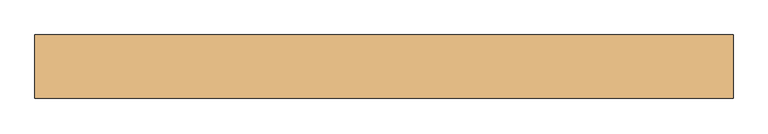
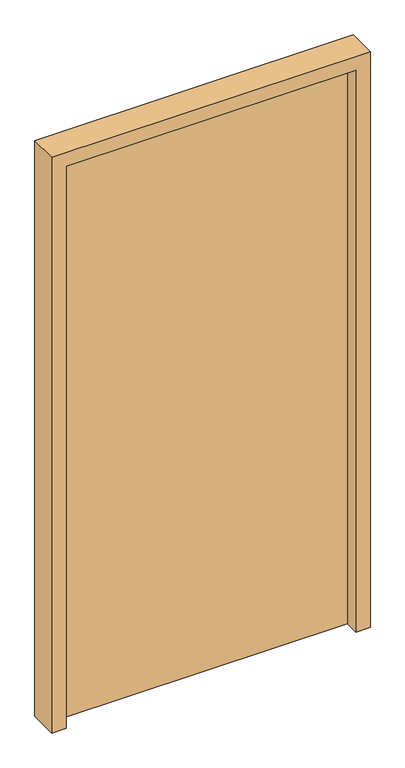
"""IFC4 building model written with IfcOpenShell, lengths in millimetres: door geometry."""

import ifcopenshell
import ifcopenshell.guid

model = None  # the IFC model being written
_history = None  # IfcOwnerHistory: only IFC2X3 demands one
_inside = {}  # id of a spatial element -> (the spatial element, [elements in it])
_under = {}  # id of a project, library or spatial element -> (it, [spatial elements below it])
_declared = {}  # id of a project -> (the project, [libraries it declares])
_typed = {}  # id of a type object -> (the type object, [elements of that type])
_made_of = {}  # id of a material, layer set ... -> (it, [elements and type objects made of it])


def new_model(schema):
    """Start an empty IFC model of exactly this schema.

    Asked for "IFC4X3", IfcOpenShell would pick the latest addendum, in which some entities
    have other attributes; the version numbers below select the first issue.
    IFC2X3 requires an IfcOwnerHistory on every rooted entity: one is made here for all.
    """
    global model, _history
    if schema == "IFC4X3":
        model = ifcopenshell.file(schema_version=(4, 3, 0, 0))
    else:
        model = ifcopenshell.file(schema=schema)
    _inside.clear()
    _under.clear()
    _declared.clear()
    _typed.clear()
    _made_of.clear()
    _history = None
    if model.schema == "IFC2X3":
        org = make("IfcOrganization", Name="unknown")
        user = make(
            "IfcPersonAndOrganization",
            ThePerson=make("IfcPerson", FamilyName="unknown"),
            TheOrganization=org,
        )
        app = make(
            "IfcApplication",
            ApplicationDeveloper=org,
            Version="unknown",
            ApplicationFullName="unknown",
            ApplicationIdentifier="unknown",
        )
        _history = make(
            "IfcOwnerHistory",
            OwningUser=user,
            OwningApplication=app,
            ChangeAction="ADDED",
            CreationDate=0,
        )
    return model


def make(cls, **values):
    """One entity of the class cls with the attributes given. An attribute that is None is left unset."""
    return model.create_entity(
        cls, **{name: value for name, value in values.items() if value is not None}
    )


def rooted(cls, **values):
    """An entity with a GlobalId (a new one), such as an element, a storey or a relation."""
    return make(cls, GlobalId=ifcopenshell.guid.new(), OwnerHistory=_history, **values)


def si_unit(unit_type, name, prefix=None):
    """IfcSIUnit, for example si_unit("LENGTHUNIT", "METRE", prefix="MILLI")."""
    return make("IfcSIUnit", UnitType=unit_type, Prefix=prefix, Name=name)


def assignment(units):
    """IfcUnitAssignment: the units of a project."""
    return None if units is None else make("IfcUnitAssignment", Units=units)


def point(xyz):
    """IfcCartesianPoint."""
    return None if xyz is None else make("IfcCartesianPoint", Coordinates=xyz)


def direction(xyz):
    """IfcDirection."""
    return None if xyz is None else make("IfcDirection", DirectionRatios=xyz)


def frame(location, z_axis=None, x_axis=None):
    """IfcAxis2Placement3D, a coordinate frame: its origin and axes. An axis left out is left unset."""
    return make(
        "IfcAxis2Placement3D",
        Location=point(location),
        Axis=direction(z_axis),
        RefDirection=direction(x_axis),
    )


def origin():
    """The frame at (0, 0, 0) with its axes left unset."""
    return frame((0.0, 0.0, 0.0))


def origin_with_axes():
    """The frame at (0, 0, 0) with the z axis (0, 0, 1) and the x axis (1, 0, 0) written out."""
    return frame((0.0, 0.0, 0.0), z_axis=(0.0, 0.0, 1.0), x_axis=(1.0, 0.0, 0.0))


def place(relative_to, where):
    """IfcLocalPlacement: puts the frame where relative to a parent placement (None: the world)."""
    return make(
        "IfcLocalPlacement", PlacementRelTo=relative_to, RelativePlacement=where
    )


def context(
    kind, dimensions, precision=None, world=None, true_north=None, identifier=None
):
    """IfcGeometricRepresentationContext, for example the 3D "Model" context."""
    return make(
        "IfcGeometricRepresentationContext",
        ContextIdentifier=identifier,
        ContextType=kind,
        CoordinateSpaceDimension=dimensions,
        Precision=precision,
        WorldCoordinateSystem=world,
        TrueNorth=true_north,
    )


def project(units=None, contexts=None):
    """IfcProject with its units and contexts."""
    return rooted(
        "IfcProject",
        Name="project",
        RepresentationContexts=contexts,
        UnitsInContext=assignment(units),
    )


def spatial(cls, under=None, at=None, **own):
    """A site, building, storey or space (cls), placed at a placement, below another one or the project."""
    s = rooted(cls, ObjectPlacement=at, **own)
    if under is not None:
        _under.setdefault(under.id(), (under, []))[1].append(s)
    return s


def polyline(points):
    """IfcPolyline through the points."""
    return make("IfcPolyline", Points=[point(p) for p in points])


def outline(outer, holes=None, kind="AREA"):
    """IfcArbitraryClosedProfileDef: a profile drawn as a closed curve; with holes, ...WithVoids."""
    if holes is None:
        return make("IfcArbitraryClosedProfileDef", ProfileType=kind, OuterCurve=outer)
    return make(
        "IfcArbitraryProfileDefWithVoids",
        ProfileType=kind,
        OuterCurve=outer,
        InnerCurves=holes,
    )


def extrude(swept, where, along, depth):
    """IfcExtrudedAreaSolid: the profile swept, set in the frame where, extruded along a direction by depth."""
    return make(
        "IfcExtrudedAreaSolid",
        SweptArea=swept,
        Position=where,
        ExtrudedDirection=direction(along),
        Depth=depth,
    )


def shape(context_of_items, identifier, shape_type, items):
    """IfcShapeRepresentation: the items that make up one representation, for example the "Body"."""
    return make(
        "IfcShapeRepresentation",
        ContextOfItems=context_of_items,
        RepresentationIdentifier=identifier,
        RepresentationType=shape_type,
        Items=items,
    )


def source(mapping_origin, context_of_items, identifier, shape_type, items):
    """IfcRepresentationMap: a shape defined once, which mapped items show again and again."""
    return make(
        "IfcRepresentationMap",
        MappingOrigin=mapping_origin,
        MappedRepresentation=shape(context_of_items, identifier, shape_type, items),
    )


def transform(
    local_origin,
    x_axis=None,
    y_axis=None,
    z_axis=None,
    scale=None,
    scale2=None,
    scale3=None,
    uniform=True,
):
    """IfcCartesianTransformationOperator3D, or its non-uniform kind. x_axis, y_axis, z_axis: its Axis1, 2, 3."""
    if uniform:
        return make(
            "IfcCartesianTransformationOperator3D",
            Axis1=direction(x_axis),
            Axis2=direction(y_axis),
            LocalOrigin=point(local_origin),
            Scale=scale,
            Axis3=direction(z_axis),
        )
    return make(
        "IfcCartesianTransformationOperator3DnonUniform",
        Axis1=direction(x_axis),
        Axis2=direction(y_axis),
        LocalOrigin=point(local_origin),
        Scale=scale,
        Axis3=direction(z_axis),
        Scale2=scale2,
        Scale3=scale3,
    )


def mapped(mapping_source, mapping_target):
    """IfcMappedItem: shows the shape of a source again, moved by a transform."""
    return make(
        "IfcMappedItem", MappingSource=mapping_source, MappingTarget=mapping_target
    )


def made_of(thing, what):
    """Note that an element or type object is made of a material, layer set ...; save() writes the relation."""
    if what is not None:
        _made_of.setdefault(what.id(), (what, []))[1].append(thing)
    return thing


def element(
    cls,
    number,
    at=None,
    inside=None,
    cuts=None,
    type_object=None,
    material=None,
    context=None,
    identifier="Body",
    shape_type=None,
    held_by="IfcProductDefinitionShape",
    body=None,
    shapes=None,
    **own,
):
    """One element of the class cls, such as IfcWall. Its Tag is "e" and its number.

    at: its placement. inside: the storey or other place that contains it. cuts: it is an
    opening in that element (IfcRelVoidsElement). A single representation is given by context,
    identifier, shape_type and body (its items); several are given by shapes. held_by: the class
    of the entity that holds the representations. save() writes the other relations.
    """
    e = rooted(cls, Tag="e%d" % number, ObjectPlacement=at, **own)
    if body is not None:
        shapes = [shape(context, identifier, shape_type, body)]
    if shapes is not None:
        e.Representation = make(held_by, Representations=shapes)
    if inside is not None:
        _inside.setdefault(inside.id(), (inside, []))[1].append(e)
    if cuts is not None:
        rooted(
            "IfcRelVoidsElement", RelatingBuildingElement=cuts, RelatedOpeningElement=e
        )
    if type_object is not None:
        _typed.setdefault(type_object.id(), (type_object, []))[1].append(e)
    return made_of(e, material)


def aggregate(whole, parts):
    """IfcRelAggregates: a whole, such as a stair, and the parts it consists of."""
    return rooted("IfcRelAggregates", RelatingObject=whole, RelatedObjects=parts)


def save(model, path):
    """Write the relations noted so far, then the file.

    IfcRelAggregates (storeys below a building ...), IfcRelContainedInSpatialStructure (elements
    in a storey), IfcRelDefinesByType, IfcRelAssociatesMaterial and IfcRelDeclares: one each for
    every whole, place, type object, material and project.
    """
    for whole, parts in _under.values():
        aggregate(whole, parts)
    for where, things in _inside.values():
        rooted(
            "IfcRelContainedInSpatialStructure",
            RelatedElements=things,
            RelatingStructure=where,
        )
    for kind, things in _typed.values():
        rooted("IfcRelDefinesByType", RelatedObjects=things, RelatingType=kind)
    for what, things in _made_of.values():
        rooted("IfcRelAssociatesMaterial", RelatedObjects=things, RelatingMaterial=what)
    for by, libraries in _declared.values():
        rooted("IfcRelDeclares", RelatingContext=by, RelatedDefinitions=libraries)
    model.write(path)


def door_a4a0d0d3(model_context):
    return source(origin(), model_context, "Body", "SweptSolid", [
        extrude(outline(polyline([(500.0, 60.0), (500.0, 10.0), (-500.0, 10.0), (-500.0, 60.0), (500.0, 60.0)])), origin_with_axes(), (0.0, 0.0, 1.0), 2050.0),
        extrude(outline(polyline([(0.0, -550.0), (0.0, -500.0), (2050.0, -500.0), (2050.0, 500.0), (0.0, 500.0), (0.0, 550.0), (2100.0, 550.0), (2100.0, -550.0), (0.0, -550.0)])), frame((0.0, -40.0, 0.0), z_axis=(0.0, 1.0, 0.0), x_axis=(0.0, 0.0, 1.0)), (0.0, 0.0, 1.0), 100.0),
    ])


if __name__ == "__main__":
    model = new_model("IFC4")
    model_context = context("Model", 3, world=origin())
    ifc_project = project(units=[si_unit("LENGTHUNIT", "METRE", prefix="MILLI")], contexts=[model_context])
    site = spatial("IfcSite", under=ifc_project)
    building = spatial("IfcBuilding", under=site)
    placement = place(None, origin())
    door_shape = door_a4a0d0d3(model_context)
    element("IfcDoor", 1, at=placement, inside=building, context=model_context, shape_type="MappedRepresentation", body=[
        mapped(door_shape, transform((0.0, 0.0, 0.0), x_axis=(1.0, 0.0, 0.0), y_axis=(0.0, 1.0, 0.0), z_axis=(0.0, 0.0, 1.0))),
    ])
    save(model, "model.ifc")
